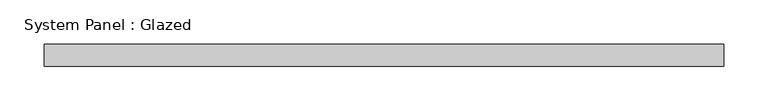
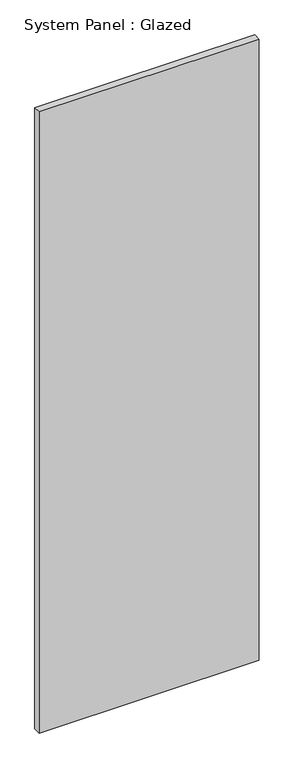
"""IFC4 building model written with IfcOpenShell, lengths in millimetres: plate geometry, System Panel : Glazed."""

from ifc_helpers import new_model, si_unit, origin, origin_with_axes, place, context, project, spatial, polyline, outline, extrude, source, transform, mapped, element, save


def system_panel_glazed_77b37193(model_context):
    return source(origin(), model_context, "Body", "SweptSolid", [
        extrude(outline(polyline([(385.7142857, -49.5), (-385.7142857, -49.5), (-385.7142857, -24.5), (385.7142857, -24.5), (385.7142857, -49.5)])), origin_with_axes(), (0.0, 0.0, 1.0), 2300.0),
    ])


if __name__ == "__main__":
    model = new_model("IFC4")
    model_context = context("Model", 3, world=origin())
    ifc_project = project(units=[si_unit("LENGTHUNIT", "METRE", prefix="MILLI")], contexts=[model_context])
    site = spatial("IfcSite", under=ifc_project)
    building = spatial("IfcBuilding", under=site)
    placement = place(None, origin())
    system_panel_glazed_shape = system_panel_glazed_77b37193(model_context)
    element("IfcPlate", 1, ObjectType="System Panel : Glazed", at=placement, inside=building, context=model_context, shape_type="MappedRepresentation", body=[
        mapped(system_panel_glazed_shape, transform((0.0, 0.0, 0.0), x_axis=(1.0, 0.0, 0.0), y_axis=(0.0, 1.0, 0.0), z_axis=(0.0, 0.0, 1.0))),
    ])
    save(model, "model.ifc")
